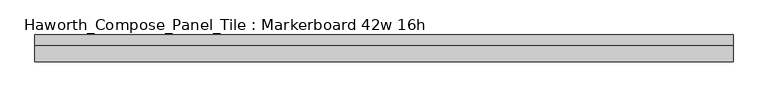
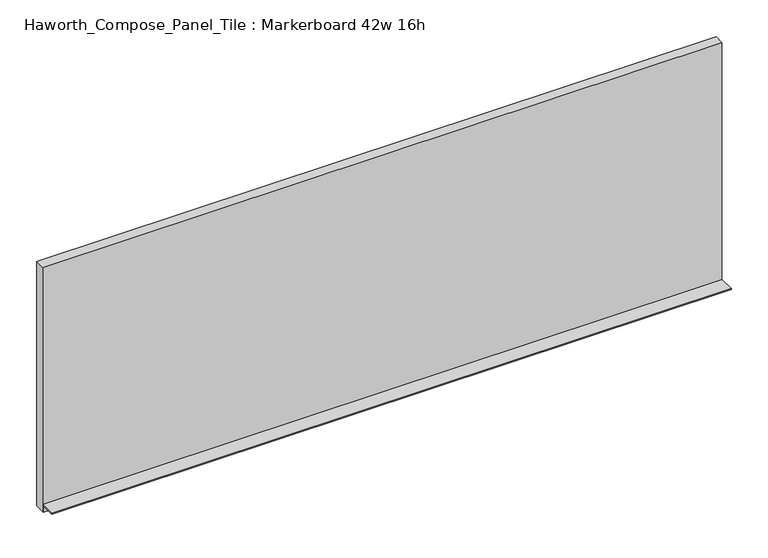
"""IFC4 building model written with IfcOpenShell, lengths in millimetres: furniture geometry, Haworth_Compose_Panel_Tile : Markerboard 42w 16h."""

from ifc_helpers import new_model, si_unit, frame, origin, place, context, project, spatial, polyline, outline, extrude, source, transform, mapped, element, save


def haworth_compose_panel_tile_markerboard_42w_16h_7e4a8650(model_context):
    return source(origin(), model_context, "Body", "SweptSolid", [
        extrude(outline(polyline([(535.8402902, -28.8968594), (-530.9597098, -28.8968594), (-530.9597098, -13.0218594), (535.8402902, -13.0218594), (535.8402902, -28.8968594)])), frame((0.0, 0.0, 1066.8), z_axis=(0.0, 0.0, 1.0), x_axis=(1.0, 0.0, 0.0)), (0.0, 0.0, 1.0), 406.4),
        extrude(outline(polyline([(-28.8968594, 1079.5), (-28.8968594, 1066.8), (-30.4843594, 1066.8), (-30.4843594, 1077.9125), (-54.2968594, 1077.9125), (-54.2968594, 1079.5), (-28.8968594, 1079.5)])), frame((-530.9597098, 0.0, 0.0), z_axis=(1.0, 0.0, 0.0), x_axis=(0.0, 1.0, 0.0)), (0.0, 0.0, 1.0), 1066.8),
    ])


if __name__ == "__main__":
    model = new_model("IFC4")
    model_context = context("Model", 3, world=origin())
    ifc_project = project(units=[si_unit("LENGTHUNIT", "METRE", prefix="MILLI")], contexts=[model_context])
    site = spatial("IfcSite", under=ifc_project)
    building = spatial("IfcBuilding", under=site)
    placement = place(None, origin())
    haworth_compose_panel_tile_markerboard_42w_16h_shape = haworth_compose_panel_tile_markerboard_42w_16h_7e4a8650(model_context)
    element("IfcFurniture", 1, ObjectType="Haworth_Compose_Panel_Tile : Markerboard 42w 16h", at=placement, inside=building, context=model_context, shape_type="MappedRepresentation", body=[
        mapped(haworth_compose_panel_tile_markerboard_42w_16h_shape, transform((0.0, 0.0, 0.0), x_axis=(1.0, 0.0, 0.0), y_axis=(0.0, 1.0, 0.0), z_axis=(0.0, 0.0, 1.0))),
    ])
    save(model, "model.ifc")
